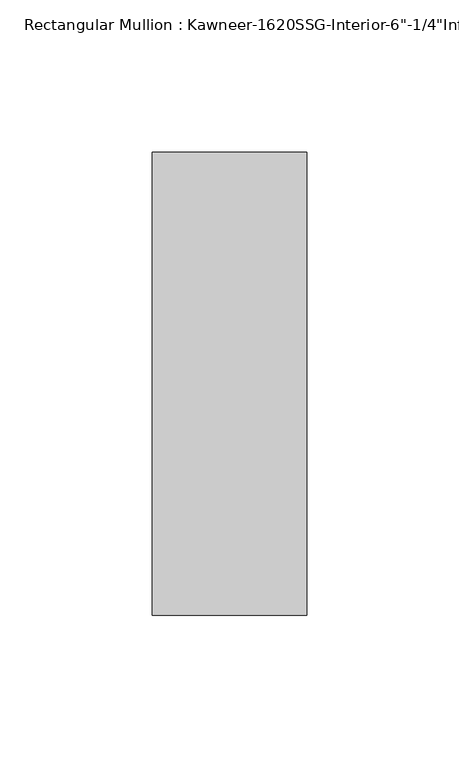
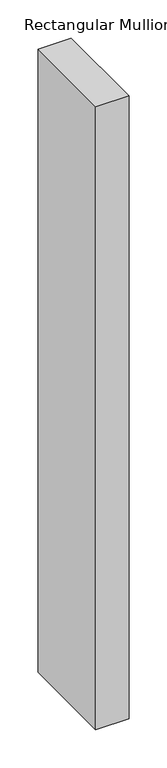
"""IFC4 building model written with IfcOpenShell, lengths in millimetres: member geometry."""

from ifc_helpers import new_model, si_unit, frame, origin, place, context, project, spatial, polyline, outline, extrude, source, transform, mapped, element, save


def member_9e83c9e1(model_context):
    return source(origin(), model_context, "Body", "SweptSolid", [
        extrude(outline(polyline([(25.4, -123.825), (-25.4, -123.825), (-25.4, 28.575), (25.4, 28.575), (25.4, -123.825)])), frame((0.0, 0.0, -1000.8019209), z_axis=(0.0, 0.0, 1.0), x_axis=(1.0, 0.0, 0.0)), (0.0, 0.0, 1.0), 1000.8019209),
    ])


if __name__ == "__main__":
    model = new_model("IFC4")
    model_context = context("Model", 3, world=origin())
    ifc_project = project(units=[si_unit("LENGTHUNIT", "METRE", prefix="MILLI")], contexts=[model_context])
    site = spatial("IfcSite", under=ifc_project)
    building = spatial("IfcBuilding", under=site)
    placement = place(None, origin())
    member_shape = member_9e83c9e1(model_context)
    element("IfcMember", 1, ObjectType="Rectangular Mullion : Kawneer-1620SSG-Interior-6\"-1/4\"Infill", at=placement, inside=building, context=model_context, shape_type="MappedRepresentation", body=[
        mapped(member_shape, transform((0.0, 0.0, 0.0), x_axis=(1.0, 0.0, 0.0), y_axis=(0.0, 1.0, 0.0), z_axis=(0.0, 0.0, 1.0))),
    ])
    save(model, "model.ifc")
